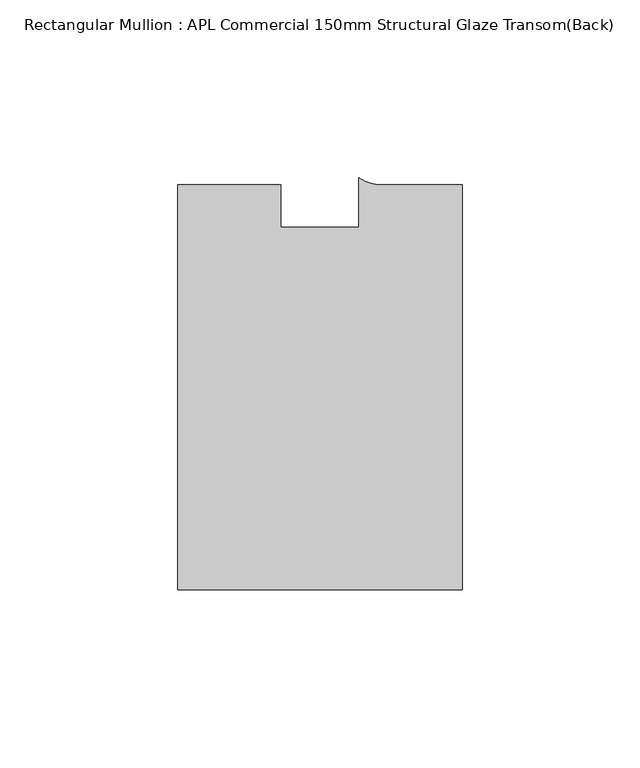
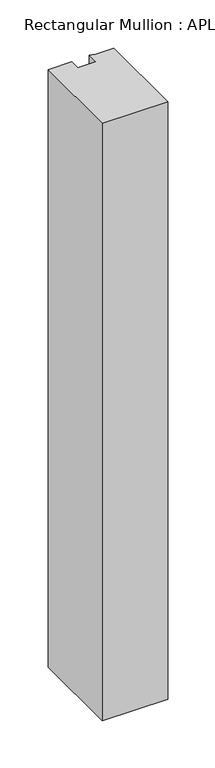
"""IFC4 building model written with IfcOpenShell, lengths in millimetres: member geometry, Rectangular Mullion : APL Commercial 150mm Structural Glaze Transom(Back)."""

from ifc_helpers import new_model, si_unit, point, frame, frame_2d, origin, place, context, project, spatial, polyline, circle_curve, trimmed, segment, composite_curve, outline, extrude, source, transform, mapped, element, save


def rectangular_mullion_apl_commercial_150mm_structural_glaze_beba26ad(model_context):
    return source(origin(), model_context, "Body", "SweptSolid", [
        extrude(outline(composite_curve([segment(polyline([(40.0, -128.9999975), (-40.0, -128.9999975), (-40.0, -15.0000829), (-11.0000151, -15.0000829), (-11.0000151, -27.0), (11.0000151, -27.0), (11.0000151, -13.0673455)]), True, "CONTINUOUS"), segment(trimmed(circle_curve(frame_2d((17.1097719, -4.581653)), 10.4563907), [point((11.0000151, -13.0673455))], [point((17.9999542, -15.0000829))], True, "CARTESIAN"), True, "CONTINUOUS"), segment(polyline([(17.9999542, -15.0000829), (40.0, -15.0000829), (40.0, -128.9999975)]), True, "CONTINUOUS")], self_intersect=False)), frame((0.0, 0.0, -771.4594221), z_axis=(0.0, 0.0, 1.0), x_axis=(1.0, 0.0, 0.0)), (0.0, 0.0, 1.0), 771.4594221),
    ])


if __name__ == "__main__":
    model = new_model("IFC4")
    model_context = context("Model", 3, world=origin())
    ifc_project = project(units=[si_unit("LENGTHUNIT", "METRE", prefix="MILLI")], contexts=[model_context])
    site = spatial("IfcSite", under=ifc_project)
    building = spatial("IfcBuilding", under=site)
    placement = place(None, origin())
    rectangular_mullion_apl_commercial_150mm_structural_glaze_shape = rectangular_mullion_apl_commercial_150mm_structural_glaze_beba26ad(model_context)
    element("IfcMember", 1, ObjectType="Rectangular Mullion : APL Commercial 150mm Structural Glaze Transom(Back)", at=placement, inside=building, context=model_context, shape_type="MappedRepresentation", body=[
        mapped(rectangular_mullion_apl_commercial_150mm_structural_glaze_shape, transform((0.0, 0.0, 0.0), x_axis=(1.0, 0.0, 0.0), y_axis=(0.0, 1.0, 0.0), z_axis=(0.0, 0.0, 1.0))),
    ])
    save(model, "model.ifc")
